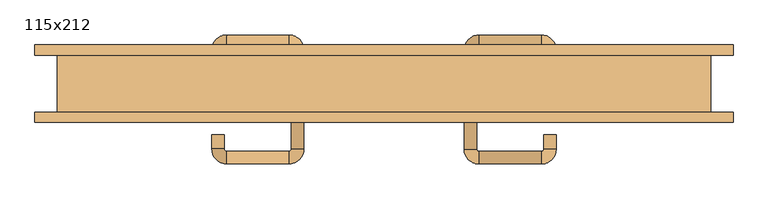
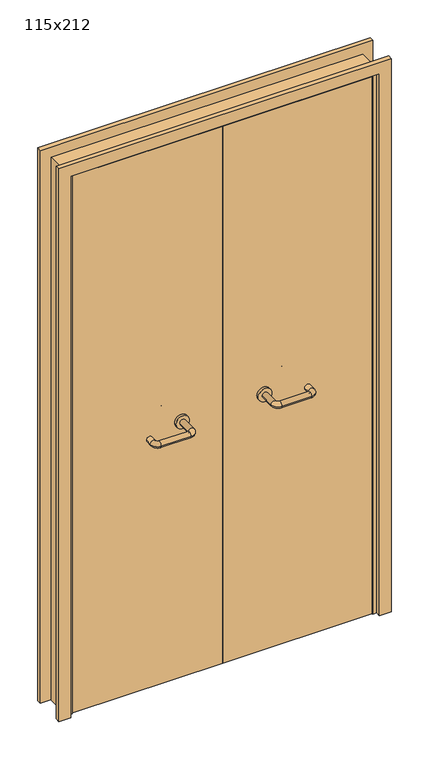
"""IFC4 building model written with IfcOpenShell, lengths in millimetres: door geometry, 115x212."""

from ifc_helpers import new_model, si_unit, point, frame, frame_2d, origin, place, context, project, spatial, polyline, circle_curve, ellipse_curve, trimmed, segment, composite_curve, outline, extrude, faceted_brep, source, transform, mapped, element, save
from ifc_brep_helpers import plane_surface, cylinder_surface, revolved_surface, advanced_brep


def door_115x212_a79db91e(model_context):
    return source(origin(), model_context, "Body", "SolidModel", [
        faceted_brep([(-545.0, -3.0, 0.0), (-555.0, -3.0, 0.0), (-555.0, 49.0, 0.0), (-545.0, 49.0, 0.0), (-545.0, 49.0, 2090.0), (-545.0, -3.0, 2090.0), (-555.0, 49.0, 2100.0), (-555.0, -3.0, 2100.0), (545.0, -3.0, 0.0), (545.0, 49.0, 0.0), (555.0, 49.0, 0.0), (555.0, -3.0, 0.0), (545.0, -3.0, 2090.0), (555.0, -3.0, 2100.0), (555.0, 49.0, 2100.0), (545.0, 49.0, 2090.0)], [[[0, 1, 2, 3]], [[3, 4, 5, 0]], [[2, 6, 4, 3]], [[1, 7, 6, 2]], [[0, 5, 7, 1]], [[8, 9, 10, 11]], [[12, 8, 11, 13]], [[13, 11, 10, 14]], [[14, 10, 9, 15]], [[15, 9, 8, 12]], [[4, 15, 12, 5]], [[6, 14, 15, 4]], [[7, 13, 14, 6]], [[5, 12, 13, 7]]]),
        extrude(outline(polyline([(2159.0, 614.0), (2159.0, -614.0), (0.0, -614.0), (0.0, -570.0), (2115.0, -570.0), (2115.0, 570.0), (0.0, 570.0), (0.0, 614.0), (2159.0, 614.0)])), frame((0.0, -68.0, 0.0), z_axis=(0.0, 1.0, 0.0), x_axis=(0.0, 0.0, 1.0)), (0.0, 0.0, 1.0), 18.0),
        extrude(outline(polyline([(2159.0, -614.0), (0.0, -614.0), (0.0, -570.0), (2115.0, -570.0), (2115.0, 570.0), (0.0, 570.0), (0.0, 614.0), (2159.0, 614.0), (2159.0, -614.0)])), frame((0.0, 50.0, 0.0), z_axis=(0.0, 1.0, 0.0), x_axis=(0.0, 0.0, 1.0)), (0.0, 0.0, 1.0), 18.0),
        extrude(outline(polyline([(2120.0, -575.0), (0.0, -575.0), (0.0, -555.0), (2100.0, -555.0), (2100.0, 555.0), (0.0, 555.0), (0.0, 575.0), (2120.0, 575.0), (2120.0, -575.0)])), frame((0.0, -50.0, 0.0), z_axis=(0.0, 1.0, 0.0), x_axis=(0.0, 0.0, 1.0)), (0.0, 0.0, 1.0), 99.0),
        advanced_brep(
        [(140.99898, 4.0, 1003.0), (162.99898, 4.0, 1003.0), (162.99898, 59.3525369, 1003.0), (140.99898, 59.3525369, 1003.0), (166.99898, 63.3525369, 1003.0), (166.99898, 85.3525369, 1003.0), (276.99898, 63.3525369, 1003.0), (276.99898, 85.3525369, 1003.0), (280.99898, 59.3525369, 1003.0), (302.99898, 59.3525369, 1003.0), (302.99898, 42.0, 1003.0), (280.99898, 42.0, 1003.0)],
        [
            (0, 1, circle_curve(frame((151.99898, 4.0, 1003.0), z_axis=(0.0, -1.0, 0.0), x_axis=(1.0, 0.0, 0.0)), 11.0)),
            (1, 0, circle_curve(frame((151.99898, 4.0, 1003.0), z_axis=(0.0, -1.0, 0.0), x_axis=(1.0, 0.0, 0.0)), 11.0)),
            (1, 2),
            (2, 3, circle_curve(frame((151.99898, 59.3525369, 1003.0), z_axis=(0.0, -1.0, 0.0), x_axis=(1.0, 0.0, 0.0)), 11.0)),
            (3, 0),
            (3, 2, circle_curve(frame((151.99898, 59.3525369, 1003.0), z_axis=(0.0, -1.0, 0.0), x_axis=(1.0, 0.0, 0.0)), 11.0)),
            (4, 5, circle_curve(frame((166.99898, 74.3525369, 1003.0), z_axis=(-1.0, 0.0, 0.0), x_axis=(0.0, -1.0, 0.0)), 11.0)),
            (5, 3, circle_curve(frame((166.99898, 59.3525369, 1003.0), z_axis=(0.0, 0.0, 1.0), x_axis=(-1.0, 0.0, 0.0)), 26.0)),
            (2, 4, circle_curve(frame((166.99898, 59.3525369, 1003.0), z_axis=(0.0, 0.0, -1.0), x_axis=(-1.0, 0.0, 0.0)), 4.0)),
            (5, 4, circle_curve(frame((166.99898, 74.3525369, 1003.0), z_axis=(-1.0, 0.0, 0.0), x_axis=(0.0, -1.0, 0.0)), 11.0)),
            (4, 6),
            (6, 7, circle_curve(frame((276.99898, 74.3525369, 1003.0), z_axis=(-1.0, 0.0, 0.0), x_axis=(0.0, -1.0, 0.0)), 11.0)),
            (7, 5),
            (7, 6, circle_curve(frame((276.99898, 74.3525369, 1003.0), z_axis=(-1.0, 0.0, 0.0), x_axis=(0.0, -1.0, 0.0)), 11.0)),
            (8, 9, circle_curve(frame((291.99898, 59.3525369, 1003.0), z_axis=(0.0, 1.0, 0.0), x_axis=(-1.0, 0.0, 0.0)), 11.0)),
            (9, 7, circle_curve(frame((276.99898, 59.3525369, 1003.0), z_axis=(0.0, 0.0, 1.0), x_axis=(0.0, 1.0, 0.0)), 26.0)),
            (6, 8, circle_curve(frame((276.99898, 59.3525369, 1003.0), z_axis=(0.0, 0.0, -1.0), x_axis=(0.0, 1.0, 0.0)), 4.0)),
            (9, 8, circle_curve(frame((291.99898, 59.3525369, 1003.0), z_axis=(0.0, 1.0, 0.0), x_axis=(-1.0, 0.0, 0.0)), 11.0)),
            (10, 11, circle_curve(frame((291.99898, 42.0, 1003.0), z_axis=(0.0, -1.0, 0.0), x_axis=(-1.0, 0.0, 0.0)), 11.0)),
            (11, 10, circle_curve(frame((291.99898, 42.0, 1003.0), z_axis=(0.0, -1.0, 0.0), x_axis=(-1.0, 0.0, 0.0)), 11.0)),
            (8, 11),
            (10, 9),
        ],
        [
            plane_surface(frame((140.99898, 4.0, 1003.0), z_axis=(0.0, -1.0, 0.0), x_axis=(0.0, 0.0, -1.0))),
            cylinder_surface(frame((151.99898, 4.0, 1003.0), z_axis=(0.0, -1.0, 0.0), x_axis=(1.0, 0.0, 0.0)), 11.0),
            revolved_surface(trimmed(ellipse_curve(frame((151.99898, 59.3525369, 1003.0), z_axis=(0.0, 1.0, 0.0), x_axis=(1.0, 0.0, 0.0)), 11.0, 11.0), [point((140.99898, 59.3525369, 1003.0))], [point((162.99898, 59.3525369, 1003.0))], True, "CARTESIAN"), (166.99898, 59.3525369, 1003.0), (0.0, 0.0, 1.0)),
            revolved_surface(trimmed(ellipse_curve(frame((151.99898, 59.3525369, 1003.0), z_axis=(0.0, 1.0, 0.0), x_axis=(1.0, 0.0, 0.0)), 11.0, 11.0), [point((162.99898, 59.3525369, 1003.0))], [point((140.99898, 59.3525369, 1003.0))], True, "CARTESIAN"), (166.99898, 59.3525369, 1003.0), (0.0, 0.0, 1.0)),
            cylinder_surface(frame((166.99898, 74.3525369, 1003.0), z_axis=(-1.0, 0.0, 0.0), x_axis=(0.0, -1.0, 0.0)), 11.0),
            revolved_surface(trimmed(ellipse_curve(frame((276.99898, 74.3525369, 1003.0), z_axis=(1.0, 0.0, 0.0), x_axis=(0.0, -1.0, 0.0)), 11.0, 11.0), [point((276.99898, 85.3525369, 1003.0))], [point((276.99898, 63.3525369, 1003.0))], True, "CARTESIAN"), (276.99898, 59.3525369, 1003.0), (0.0, 0.0, 1.0)),
            revolved_surface(trimmed(ellipse_curve(frame((276.99898, 74.3525369, 1003.0), z_axis=(1.0, 0.0, 0.0), x_axis=(0.0, -1.0, 0.0)), 11.0, 11.0), [point((276.99898, 63.3525369, 1003.0))], [point((276.99898, 85.3525369, 1003.0))], True, "CARTESIAN"), (276.99898, 59.3525369, 1003.0), (0.0, 0.0, 1.0)),
            plane_surface(frame((280.99898, 42.0, 1003.0), z_axis=(0.0, -1.0, 0.0), x_axis=(0.0, 0.0, 1.0))),
            cylinder_surface(frame((291.99898, 59.3525369, 1003.0), z_axis=(0.0, 1.0, 0.0), x_axis=(-1.0, 0.0, 0.0)), 11.0),
        ],
        [
            (0, [[1, 2]]),
            (1, [[3, 4, 5, -2]]),
            (1, [[-5, 6, -3, -1]]),
            (2, [[7, 8, -4, 9]]),
            (3, [[10, -9, -6, -8]]),
            (4, [[11, 12, 13, -7]]),
            (4, [[-13, 14, -11, -10]]),
            (5, [[15, 16, -12, 17]]),
            (6, [[18, -17, -14, -16]]),
            (7, [[19, 20]]),
            (8, [[21, -19, 22, -15]]),
            (8, [[-22, -20, -21, -18]]),
        ],
    ),
        extrude(outline(composite_curve([segment(trimmed(circle_curve(frame_2d((1003.0, 151.99898)), 25.0), [point((1003.0, 126.99898))], [point((1003.0, 176.99898))], False, "CARTESIAN"), True, "CONTINUOUS"), segment(trimmed(circle_curve(frame_2d((1003.0, 151.99898)), 25.0), [point((1003.0, 176.99898))], [point((1003.0, 126.99898))], False, "CARTESIAN"), True, "CONTINUOUS")], self_intersect=False)), frame((0.0, -6.0, 0.0), z_axis=(0.0, 1.0, 0.0), x_axis=(0.0, 0.0, 1.0)), (0.0, 0.0, 1.0), 10.0),
        advanced_brep(
        [(162.99898, -60.0, 1003.0), (140.99898, -60.0, 1003.0), (140.99898, -115.0, 1003.0), (162.99898, -115.0, 1003.0), (166.99898, -141.0, 1003.0), (166.99898, -119.0, 1003.0), (276.99898, -141.0, 1003.0), (276.99898, -119.0, 1003.0), (302.99898, -115.0, 1003.0), (280.99898, -115.0, 1003.0), (280.99898, -90.0, 1003.0), (302.99898, -90.0, 1003.0)],
        [
            (0, 1, circle_curve(frame((151.99898, -60.0, 1003.0), z_axis=(0.0, 1.0, 0.0), x_axis=(-1.0, 0.0, 0.0)), 11.0)),
            (1, 0, circle_curve(frame((151.99898, -60.0, 1003.0), z_axis=(0.0, 1.0, 0.0), x_axis=(-1.0, 0.0, 0.0)), 11.0)),
            (1, 2),
            (2, 3, circle_curve(frame((151.99898, -115.0, 1003.0), z_axis=(0.0, 1.0, 0.0), x_axis=(-1.0, 0.0, 0.0)), 11.0)),
            (3, 0),
            (3, 2, circle_curve(frame((151.99898, -115.0, 1003.0), z_axis=(0.0, 1.0, 0.0), x_axis=(-1.0, 0.0, 0.0)), 11.0)),
            (4, 5, circle_curve(frame((166.99898, -130.0, 1003.0), z_axis=(-1.0, 0.0, 0.0), x_axis=(0.0, -1.0, 0.0)), 11.0)),
            (5, 3, circle_curve(frame((166.99898, -115.0, 1003.0), z_axis=(0.0, 0.0, -1.0), x_axis=(-1.0, 0.0, 0.0)), 4.0)),
            (2, 4, circle_curve(frame((166.99898, -115.0, 1003.0), z_axis=(0.0, 0.0, 1.0), x_axis=(-1.0, 0.0, 0.0)), 26.0)),
            (5, 4, circle_curve(frame((166.99898, -130.0, 1003.0), z_axis=(-1.0, 0.0, 0.0), x_axis=(0.0, -1.0, 0.0)), 11.0)),
            (4, 6),
            (6, 7, circle_curve(frame((276.99898, -130.0, 1003.0), z_axis=(-1.0, 0.0, 0.0), x_axis=(0.0, -1.0, 0.0)), 11.0)),
            (7, 5),
            (7, 6, circle_curve(frame((276.99898, -130.0, 1003.0), z_axis=(-1.0, 0.0, 0.0), x_axis=(0.0, -1.0, 0.0)), 11.0)),
            (8, 9, circle_curve(frame((291.99898, -115.0, 1003.0), z_axis=(0.0, -1.0, 0.0), x_axis=(1.0, 0.0, 0.0)), 11.0)),
            (9, 7, circle_curve(frame((276.99898, -115.0, 1003.0), z_axis=(0.0, 0.0, -1.0), x_axis=(0.0, -1.0, 0.0)), 4.0)),
            (6, 8, circle_curve(frame((276.99898, -115.0, 1003.0), z_axis=(0.0, 0.0, 1.0), x_axis=(0.0, -1.0, 0.0)), 26.0)),
            (9, 8, circle_curve(frame((291.99898, -115.0, 1003.0), z_axis=(0.0, -1.0, 0.0), x_axis=(1.0, 0.0, 0.0)), 11.0)),
            (10, 11, circle_curve(frame((291.99898, -90.0, 1003.0), z_axis=(0.0, 1.0, 0.0), x_axis=(1.0, 0.0, 0.0)), 11.0)),
            (11, 10, circle_curve(frame((291.99898, -90.0, 1003.0), z_axis=(0.0, 1.0, 0.0), x_axis=(1.0, 0.0, 0.0)), 11.0)),
            (8, 11),
            (10, 9),
        ],
        [
            plane_surface(frame((140.99898, -60.0, 1003.0), z_axis=(0.0, 1.0, 0.0), x_axis=(0.0, 0.0, 1.0))),
            cylinder_surface(frame((151.99898, -60.0, 1003.0), z_axis=(0.0, 1.0, 0.0), x_axis=(-1.0, 0.0, 0.0)), 11.0),
            revolved_surface(trimmed(ellipse_curve(frame((151.99898, -115.0, 1003.0), z_axis=(0.0, -1.0, 0.0), x_axis=(-1.0, 0.0, 0.0)), 11.0, 11.0), [point((162.99898, -115.0, 1003.0))], [point((140.99898, -115.0, 1003.0))], True, "CARTESIAN"), (166.99898, -115.0, 1003.0), (0.0, 0.0, -1.0)),
            revolved_surface(trimmed(ellipse_curve(frame((151.99898, -115.0, 1003.0), z_axis=(0.0, -1.0, 0.0), x_axis=(-1.0, 0.0, 0.0)), 11.0, 11.0), [point((140.99898, -115.0, 1003.0))], [point((162.99898, -115.0, 1003.0))], True, "CARTESIAN"), (166.99898, -115.0, 1003.0), (0.0, 0.0, -1.0)),
            cylinder_surface(frame((166.99898, -130.0, 1003.0), z_axis=(-1.0, 0.0, 0.0), x_axis=(0.0, -1.0, 0.0)), 11.0),
            revolved_surface(trimmed(ellipse_curve(frame((276.99898, -130.0, 1003.0), z_axis=(1.0, 0.0, 0.0), x_axis=(0.0, -1.0, 0.0)), 11.0, 11.0), [point((276.99898, -119.0, 1003.0))], [point((276.99898, -141.0, 1003.0))], True, "CARTESIAN"), (276.99898, -115.0, 1003.0), (0.0, 0.0, -1.0)),
            revolved_surface(trimmed(ellipse_curve(frame((276.99898, -130.0, 1003.0), z_axis=(1.0, 0.0, 0.0), x_axis=(0.0, -1.0, 0.0)), 11.0, 11.0), [point((276.99898, -141.0, 1003.0))], [point((276.99898, -119.0, 1003.0))], True, "CARTESIAN"), (276.99898, -115.0, 1003.0), (0.0, 0.0, -1.0)),
            plane_surface(frame((280.99898, -90.0, 1003.0), z_axis=(0.0, 1.0, 0.0), x_axis=(0.0, 0.0, -1.0))),
            cylinder_surface(frame((291.99898, -115.0, 1003.0), z_axis=(0.0, -1.0, 0.0), x_axis=(1.0, 0.0, 0.0)), 11.0),
        ],
        [
            (0, [[1, 2]]),
            (1, [[3, 4, 5, -2]]),
            (1, [[-5, 6, -3, -1]]),
            (2, [[7, 8, -4, 9]]),
            (3, [[10, -9, -6, -8]]),
            (4, [[11, 12, 13, -7]]),
            (4, [[-13, 14, -11, -10]]),
            (5, [[15, 16, -12, 17]]),
            (6, [[18, -17, -14, -16]]),
            (7, [[19, 20]]),
            (8, [[21, -19, 22, -15]]),
            (8, [[-22, -20, -21, -18]]),
        ],
    ),
        extrude(outline(composite_curve([segment(trimmed(circle_curve(frame_2d((1003.0, 151.99898)), 25.0), [point((1003.0, 176.99898))], [point((1003.0, 126.99898))], False, "CARTESIAN"), True, "CONTINUOUS"), segment(trimmed(circle_curve(frame_2d((1003.0, 151.99898)), 25.0), [point((1003.0, 126.99898))], [point((1003.0, 176.99898))], False, "CARTESIAN"), True, "CONTINUOUS")], self_intersect=False)), frame((0.0, -60.0, 0.0), z_axis=(0.0, 1.0, 0.0), x_axis=(0.0, 0.0, 1.0)), (0.0, 0.0, 1.0), 10.0),
        advanced_brep(
        [(-162.99898, 4.3113879, 1003.0), (-140.99898, 4.3113879, 1003.0), (-140.99898, 59.7220447, 1003.0), (-162.99898, 59.7220447, 1003.0), (-166.99898, 85.7220447, 1003.0), (-166.99898, 63.7220447, 1003.0), (-276.99898, 85.7220447, 1003.0), (-276.99898, 63.7220447, 1003.0), (-302.99898, 59.7220447, 1003.0), (-280.99898, 59.7220447, 1003.0), (-280.99898, 34.7220447, 1003.0), (-302.99898, 34.7220447, 1003.0)],
        [
            (0, 1, circle_curve(frame((-151.99898, 4.3113879, 1003.0), z_axis=(0.0, -1.0, 0.0), x_axis=(1.0, 0.0, 0.0)), 11.0)),
            (1, 0, circle_curve(frame((-151.99898, 4.3113879, 1003.0), z_axis=(0.0, -1.0, 0.0), x_axis=(1.0, 0.0, 0.0)), 11.0)),
            (1, 2),
            (2, 3, circle_curve(frame((-151.99898, 59.7220447, 1003.0), z_axis=(0.0, -1.0, 0.0), x_axis=(1.0, 0.0, 0.0)), 11.0)),
            (3, 0),
            (3, 2, circle_curve(frame((-151.99898, 59.7220447, 1003.0), z_axis=(0.0, -1.0, 0.0), x_axis=(1.0, 0.0, 0.0)), 11.0)),
            (4, 5, circle_curve(frame((-166.99898, 74.7220447, 1003.0), z_axis=(1.0, 0.0, 0.0), x_axis=(0.0, 1.0, 0.0)), 11.0)),
            (5, 3, circle_curve(frame((-166.99898, 59.7220447, 1003.0), z_axis=(0.0, 0.0, -1.0), x_axis=(1.0, 0.0, 0.0)), 4.0)),
            (2, 4, circle_curve(frame((-166.99898, 59.7220447, 1003.0), z_axis=(0.0, 0.0, 1.0), x_axis=(1.0, 0.0, 0.0)), 26.0)),
            (5, 4, circle_curve(frame((-166.99898, 74.7220447, 1003.0), z_axis=(1.0, 0.0, 0.0), x_axis=(0.0, 1.0, 0.0)), 11.0)),
            (4, 6),
            (6, 7, circle_curve(frame((-276.99898, 74.7220447, 1003.0), z_axis=(1.0, 0.0, 0.0), x_axis=(0.0, 1.0, 0.0)), 11.0)),
            (7, 5),
            (7, 6, circle_curve(frame((-276.99898, 74.7220447, 1003.0), z_axis=(1.0, 0.0, 0.0), x_axis=(0.0, 1.0, 0.0)), 11.0)),
            (8, 9, circle_curve(frame((-291.99898, 59.7220447, 1003.0), z_axis=(0.0, 1.0, 0.0), x_axis=(-1.0, 0.0, 0.0)), 11.0)),
            (9, 7, circle_curve(frame((-276.99898, 59.7220447, 1003.0), z_axis=(0.0, 0.0, -1.0), x_axis=(0.0, 1.0, 0.0)), 4.0)),
            (6, 8, circle_curve(frame((-276.99898, 59.7220447, 1003.0), z_axis=(0.0, 0.0, 1.0), x_axis=(0.0, 1.0, 0.0)), 26.0)),
            (9, 8, circle_curve(frame((-291.99898, 59.7220447, 1003.0), z_axis=(0.0, 1.0, 0.0), x_axis=(-1.0, 0.0, 0.0)), 11.0)),
            (10, 11, circle_curve(frame((-291.99898, 34.7220447, 1003.0), z_axis=(0.0, -1.0, 0.0), x_axis=(-1.0, 0.0, 0.0)), 11.0)),
            (11, 10, circle_curve(frame((-291.99898, 34.7220447, 1003.0), z_axis=(0.0, -1.0, 0.0), x_axis=(-1.0, 0.0, 0.0)), 11.0)),
            (8, 11),
            (10, 9),
        ],
        [
            plane_surface(frame((-162.99898, 4.3113879, 1003.0), z_axis=(0.0, -1.0, 0.0), x_axis=(0.0, 0.0, -1.0))),
            cylinder_surface(frame((-151.99898, 4.3113879, 1003.0), z_axis=(0.0, -1.0, 0.0), x_axis=(1.0, 0.0, 0.0)), 11.0),
            revolved_surface(trimmed(ellipse_curve(frame((-151.99898, 59.7220447, 1003.0), z_axis=(0.0, 1.0, 0.0), x_axis=(1.0, 0.0, 0.0)), 11.0, 11.0), [point((-162.99898, 59.7220447, 1003.0))], [point((-140.99898, 59.7220447, 1003.0))], True, "CARTESIAN"), (-166.99898, 59.7220447, 1003.0), (0.0, 0.0, -1.0)),
            revolved_surface(trimmed(ellipse_curve(frame((-151.99898, 59.7220447, 1003.0), z_axis=(0.0, 1.0, 0.0), x_axis=(1.0, 0.0, 0.0)), 11.0, 11.0), [point((-140.99898, 59.7220447, 1003.0))], [point((-162.99898, 59.7220447, 1003.0))], True, "CARTESIAN"), (-166.99898, 59.7220447, 1003.0), (0.0, 0.0, -1.0)),
            cylinder_surface(frame((-166.99898, 74.7220447, 1003.0), z_axis=(1.0, 0.0, 0.0), x_axis=(0.0, 1.0, 0.0)), 11.0),
            revolved_surface(trimmed(ellipse_curve(frame((-276.99898, 74.7220447, 1003.0), z_axis=(-1.0, 0.0, 0.0), x_axis=(0.0, 1.0, 0.0)), 11.0, 11.0), [point((-276.99898, 63.7220447, 1003.0))], [point((-276.99898, 85.7220447, 1003.0))], True, "CARTESIAN"), (-276.99898, 59.7220447, 1003.0), (0.0, 0.0, -1.0)),
            revolved_surface(trimmed(ellipse_curve(frame((-276.99898, 74.7220447, 1003.0), z_axis=(-1.0, 0.0, 0.0), x_axis=(0.0, 1.0, 0.0)), 11.0, 11.0), [point((-276.99898, 85.7220447, 1003.0))], [point((-276.99898, 63.7220447, 1003.0))], True, "CARTESIAN"), (-276.99898, 59.7220447, 1003.0), (0.0, 0.0, -1.0)),
            plane_surface(frame((-302.99898, 34.7220447, 1003.0), z_axis=(0.0, -1.0, 0.0), x_axis=(0.0, 0.0, 1.0))),
            cylinder_surface(frame((-291.99898, 59.7220447, 1003.0), z_axis=(0.0, 1.0, 0.0), x_axis=(-1.0, 0.0, 0.0)), 11.0),
        ],
        [
            (0, [[1, 2]]),
            (1, [[3, 4, 5, -2]]),
            (1, [[-5, 6, -3, -1]]),
            (2, [[7, 8, -4, 9]]),
            (3, [[10, -9, -6, -8]]),
            (4, [[11, 12, 13, -7]]),
            (4, [[-13, 14, -11, -10]]),
            (5, [[15, 16, -12, 17]]),
            (6, [[18, -17, -14, -16]]),
            (7, [[19, 20]]),
            (8, [[21, -19, 22, -15]]),
            (8, [[-22, -20, -21, -18]]),
        ],
    ),
        extrude(outline(composite_curve([segment(trimmed(circle_curve(frame_2d((1003.0, -151.99898)), 25.0), [point((1003.0, -176.99898))], [point((1003.0, -126.99898))], False, "CARTESIAN"), True, "CONTINUOUS"), segment(trimmed(circle_curve(frame_2d((1003.0, -151.99898)), 25.0), [point((1003.0, -126.99898))], [point((1003.0, -176.99898))], False, "CARTESIAN"), True, "CONTINUOUS")], self_intersect=False)), frame((0.0, -6.0, 0.0), z_axis=(0.0, 1.0, 0.0), x_axis=(0.0, 0.0, 1.0)), (0.0, 0.0, 1.0), 10.3113879),
        advanced_brep(
        [(-140.99898, -59.5143417, 1003.0), (-162.99898, -59.5143417, 1003.0), (-162.99898, -114.6104656, 1003.0), (-140.99898, -114.6104656, 1003.0), (-166.99898, -118.6104656, 1003.0), (-166.99898, -140.6104656, 1003.0), (-276.99898, -118.6104656, 1003.0), (-276.99898, -140.6104656, 1003.0), (-280.99898, -114.6104656, 1003.0), (-302.99898, -114.6104656, 1003.0), (-302.99898, -89.6104656, 1003.0), (-280.99898, -89.6104656, 1003.0)],
        [
            (0, 1, circle_curve(frame((-151.99898, -59.5143417, 1003.0), z_axis=(0.0, 1.0, 0.0), x_axis=(-1.0, 0.0, 0.0)), 11.0)),
            (1, 0, circle_curve(frame((-151.99898, -59.5143417, 1003.0), z_axis=(0.0, 1.0, 0.0), x_axis=(-1.0, 0.0, 0.0)), 11.0)),
            (1, 2),
            (2, 3, circle_curve(frame((-151.99898, -114.6104656, 1003.0), z_axis=(0.0, 1.0, 0.0), x_axis=(-1.0, 0.0, 0.0)), 11.0)),
            (3, 0),
            (3, 2, circle_curve(frame((-151.99898, -114.6104656, 1003.0), z_axis=(0.0, 1.0, 0.0), x_axis=(-1.0, 0.0, 0.0)), 11.0)),
            (4, 5, circle_curve(frame((-166.99898, -129.6104656, 1003.0), z_axis=(1.0, 0.0, 0.0), x_axis=(0.0, 1.0, 0.0)), 11.0)),
            (5, 3, circle_curve(frame((-166.99898, -114.6104656, 1003.0), z_axis=(0.0, 0.0, 1.0), x_axis=(1.0, 0.0, 0.0)), 26.0)),
            (2, 4, circle_curve(frame((-166.99898, -114.6104656, 1003.0), z_axis=(0.0, 0.0, -1.0), x_axis=(1.0, 0.0, 0.0)), 4.0)),
            (5, 4, circle_curve(frame((-166.99898, -129.6104656, 1003.0), z_axis=(1.0, 0.0, 0.0), x_axis=(0.0, 1.0, 0.0)), 11.0)),
            (4, 6),
            (6, 7, circle_curve(frame((-276.99898, -129.6104656, 1003.0), z_axis=(1.0, 0.0, 0.0), x_axis=(0.0, 1.0, 0.0)), 11.0)),
            (7, 5),
            (7, 6, circle_curve(frame((-276.99898, -129.6104656, 1003.0), z_axis=(1.0, 0.0, 0.0), x_axis=(0.0, 1.0, 0.0)), 11.0)),
            (8, 9, circle_curve(frame((-291.99898, -114.6104656, 1003.0), z_axis=(0.0, -1.0, 0.0), x_axis=(1.0, 0.0, 0.0)), 11.0)),
            (9, 7, circle_curve(frame((-276.99898, -114.6104656, 1003.0), z_axis=(0.0, 0.0, 1.0), x_axis=(0.0, -1.0, 0.0)), 26.0)),
            (6, 8, circle_curve(frame((-276.99898, -114.6104656, 1003.0), z_axis=(0.0, 0.0, -1.0), x_axis=(0.0, -1.0, 0.0)), 4.0)),
            (9, 8, circle_curve(frame((-291.99898, -114.6104656, 1003.0), z_axis=(0.0, -1.0, 0.0), x_axis=(1.0, 0.0, 0.0)), 11.0)),
            (10, 11, circle_curve(frame((-291.99898, -89.6104656, 1003.0), z_axis=(0.0, 1.0, 0.0), x_axis=(1.0, 0.0, 0.0)), 11.0)),
            (11, 10, circle_curve(frame((-291.99898, -89.6104656, 1003.0), z_axis=(0.0, 1.0, 0.0), x_axis=(1.0, 0.0, 0.0)), 11.0)),
            (8, 11),
            (10, 9),
        ],
        [
            plane_surface(frame((-162.99898, -59.5143417, 1003.0), z_axis=(0.0, 1.0, 0.0), x_axis=(0.0, 0.0, 1.0))),
            cylinder_surface(frame((-151.99898, -59.5143417, 1003.0), z_axis=(0.0, 1.0, 0.0), x_axis=(-1.0, 0.0, 0.0)), 11.0),
            revolved_surface(trimmed(ellipse_curve(frame((-151.99898, -114.6104656, 1003.0), z_axis=(0.0, -1.0, 0.0), x_axis=(-1.0, 0.0, 0.0)), 11.0, 11.0), [point((-140.99898, -114.6104656, 1003.0))], [point((-162.99898, -114.6104656, 1003.0))], True, "CARTESIAN"), (-166.99898, -114.6104656, 1003.0), (0.0, 0.0, 1.0)),
            revolved_surface(trimmed(ellipse_curve(frame((-151.99898, -114.6104656, 1003.0), z_axis=(0.0, -1.0, 0.0), x_axis=(-1.0, 0.0, 0.0)), 11.0, 11.0), [point((-162.99898, -114.6104656, 1003.0))], [point((-140.99898, -114.6104656, 1003.0))], True, "CARTESIAN"), (-166.99898, -114.6104656, 1003.0), (0.0, 0.0, 1.0)),
            cylinder_surface(frame((-166.99898, -129.6104656, 1003.0), z_axis=(1.0, 0.0, 0.0), x_axis=(0.0, 1.0, 0.0)), 11.0),
            revolved_surface(trimmed(ellipse_curve(frame((-276.99898, -129.6104656, 1003.0), z_axis=(-1.0, 0.0, 0.0), x_axis=(0.0, 1.0, 0.0)), 11.0, 11.0), [point((-276.99898, -140.6104656, 1003.0))], [point((-276.99898, -118.6104656, 1003.0))], True, "CARTESIAN"), (-276.99898, -114.6104656, 1003.0), (0.0, 0.0, 1.0)),
            revolved_surface(trimmed(ellipse_curve(frame((-276.99898, -129.6104656, 1003.0), z_axis=(-1.0, 0.0, 0.0), x_axis=(0.0, 1.0, 0.0)), 11.0, 11.0), [point((-276.99898, -118.6104656, 1003.0))], [point((-276.99898, -140.6104656, 1003.0))], True, "CARTESIAN"), (-276.99898, -114.6104656, 1003.0), (0.0, 0.0, 1.0)),
            plane_surface(frame((-302.99898, -89.6104656, 1003.0), z_axis=(0.0, 1.0, 0.0), x_axis=(0.0, 0.0, -1.0))),
            cylinder_surface(frame((-291.99898, -114.6104656, 1003.0), z_axis=(0.0, -1.0, 0.0), x_axis=(1.0, 0.0, 0.0)), 11.0),
        ],
        [
            (0, [[1, 2]]),
            (1, [[3, 4, 5, -2]]),
            (1, [[-5, 6, -3, -1]]),
            (2, [[7, 8, -4, 9]]),
            (3, [[10, -9, -6, -8]]),
            (4, [[11, 12, 13, -7]]),
            (4, [[-13, 14, -11, -10]]),
            (5, [[15, 16, -12, 17]]),
            (6, [[18, -17, -14, -16]]),
            (7, [[19, 20]]),
            (8, [[21, -19, 22, -15]]),
            (8, [[-22, -20, -21, -18]]),
        ],
    ),
        extrude(outline(composite_curve([segment(trimmed(circle_curve(frame_2d((1003.0, -151.99898)), 25.0), [point((1003.0, -126.99898))], [point((1003.0, -176.99898))], False, "CARTESIAN"), True, "CONTINUOUS"), segment(trimmed(circle_curve(frame_2d((1003.0, -151.99898)), 25.0), [point((1003.0, -176.99898))], [point((1003.0, -126.99898))], False, "CARTESIAN"), True, "CONTINUOUS")], self_intersect=False)), frame((0.0, -59.5143417, 0.0), z_axis=(0.0, 1.0, 0.0), x_axis=(0.0, 0.0, 1.0)), (0.0, 0.0, 1.0), 9.5143417),
        extrude(outline(polyline([(1.0739506, -6.0), (1.0739506, -50.0), (-552.0, -50.0), (-552.0, -6.0), (1.0739506, -6.0)])), frame((0.0, 0.0, 1.753223), z_axis=(0.0, 0.0, 1.0), x_axis=(1.0, 0.0, 0.0)), (0.0, 0.0, 1.0), 2098.246777),
        extrude(outline(polyline([(552.0, -6.0), (552.0, -50.0), (1.0739506, -50.0), (1.0739506, -6.0), (552.0, -6.0)])), frame((0.0, 0.0, 1.753223), z_axis=(0.0, 0.0, 1.0), x_axis=(1.0, 0.0, 0.0)), (0.0, 0.0, 1.0), 2098.246777),
    ])


if __name__ == "__main__":
    model = new_model("IFC4")
    model_context = context("Model", 3, world=origin())
    ifc_project = project(units=[si_unit("LENGTHUNIT", "METRE", prefix="MILLI")], contexts=[model_context])
    site = spatial("IfcSite", under=ifc_project)
    building = spatial("IfcBuilding", under=site)
    placement = place(None, origin())
    door_115x212_shape = door_115x212_a79db91e(model_context)
    element("IfcDoor", 1, ObjectType="115x212", at=placement, inside=building, context=model_context, shape_type="MappedRepresentation", body=[
        mapped(door_115x212_shape, transform((0.0, 0.0, 0.0), x_axis=(1.0, 0.0, 0.0), y_axis=(0.0, 1.0, 0.0), z_axis=(0.0, 0.0, 1.0))),
    ])
    save(model, "model.ifc")
